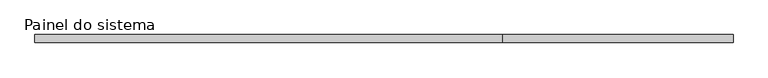
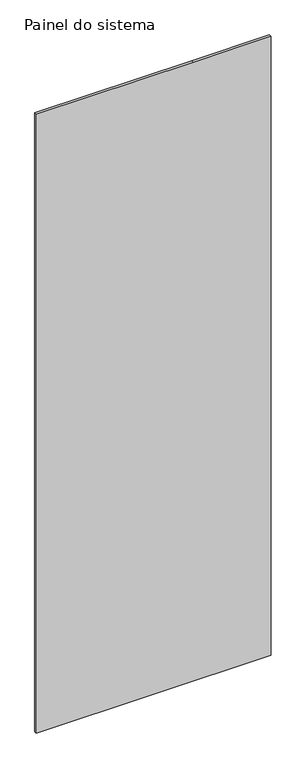
"""IFC4 building model written with IfcOpenShell, lengths in millimetres: plate geometry, Painel do sistema."""

from ifc_helpers import new_model, si_unit, frame, origin, place, context, project, spatial, polyline, outline, extrude, source, transform, mapped, element, save


def painel_do_sistema_afa38661(model_context):
    return source(origin(), model_context, "Body", "SweptSolid", [
        extrude(outline(polyline([(0.0, -1086.3451054), (0.0, 1086.3451054), (6050.0, 1086.3451054), (6050.0, 369.900833), (6050.0, -1086.3451054), (0.0, -1086.3451054)])), frame((0.0, 24.5, 0.0), z_axis=(0.0, 1.0, 0.0), x_axis=(0.0, 0.0, 1.0)), (0.0, 0.0, 1.0), 25.0),
    ])


if __name__ == "__main__":
    model = new_model("IFC4")
    model_context = context("Model", 3, world=origin())
    ifc_project = project(units=[si_unit("LENGTHUNIT", "METRE", prefix="MILLI")], contexts=[model_context])
    site = spatial("IfcSite", under=ifc_project)
    building = spatial("IfcBuilding", under=site)
    placement = place(None, origin())
    painel_do_sistema_shape = painel_do_sistema_afa38661(model_context)
    element("IfcPlate", 1, ObjectType="Painel do sistema", at=placement, inside=building, context=model_context, shape_type="MappedRepresentation", body=[
        mapped(painel_do_sistema_shape, transform((0.0, 0.0, 0.0), x_axis=(1.0, 0.0, 0.0), y_axis=(0.0, 1.0, 0.0), z_axis=(0.0, 0.0, 1.0))),
    ])
    save(model, "model.ifc")
